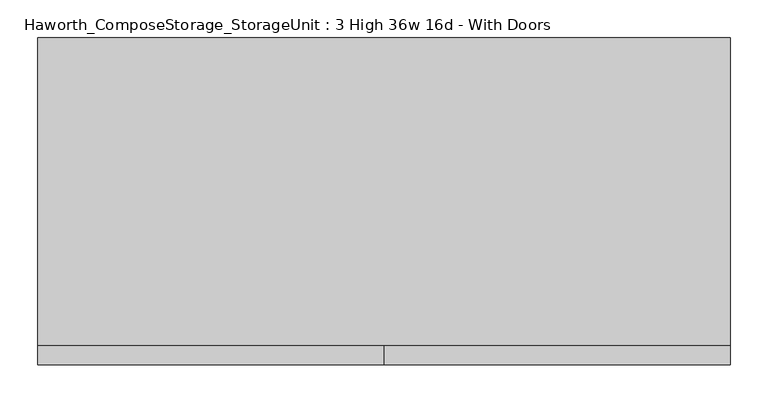
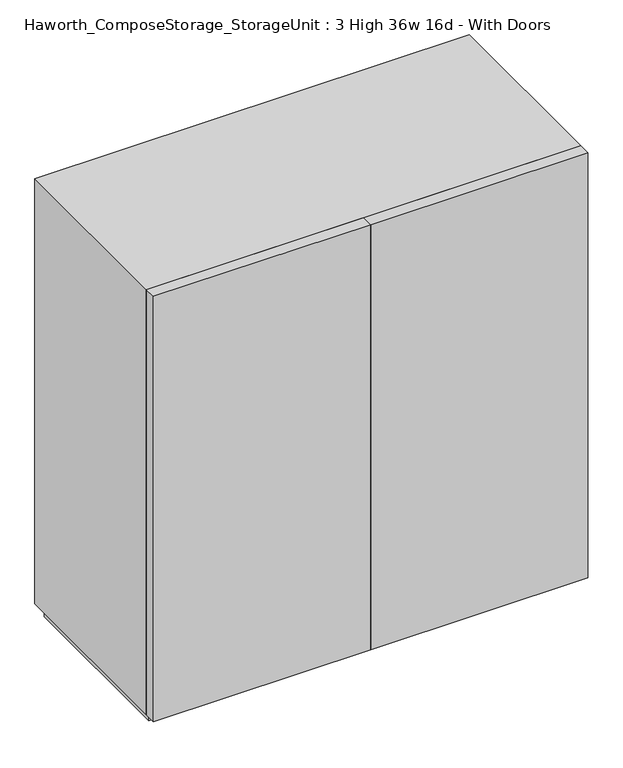
"""IFC4 building model written with IfcOpenShell, lengths in millimetres: furniture geometry, Haworth_ComposeStorage_StorageUnit : 3 High 36w 16d - With Doors."""

from ifc_helpers import new_model, si_unit, frame, origin, origin_with_axes, place, context, project, spatial, polyline, outline, extrude, source, transform, mapped, element, save


def haworth_composestorage_storageunit_3_high_36w_16d_with_doors_aa049dfd(model_context):
    return source(origin(), model_context, "Body", "SweptSolid", [
        extrude(outline(polyline([(438.1569453, 219.075), (438.1569453, -152.4), (-438.1291641, -152.4), (-438.1291641, 219.075), (438.1569453, 219.075)])), frame((0.0, 0.0, 652.9916667), z_axis=(0.0, 0.0, 1.0), x_axis=(1.0, 0.0, 0.0)), (0.0, 0.0, 1.0), 19.05),
        extrude(outline(polyline([(438.1569453, 219.075), (438.1569453, -152.4), (-438.1291641, -152.4), (-438.1291641, 219.075), (438.1569453, 219.075)])), frame((0.0, 0.0, 324.9083333), z_axis=(0.0, 0.0, 1.0), x_axis=(1.0, 0.0, 0.0)), (0.0, 0.0, 1.0), 19.05),
        extrude(outline(polyline([(0.0138906, -177.8), (0.0138906, -152.4), (457.2138906, -152.4), (457.2138906, -177.8), (0.0138906, -177.8)])), frame((0.0, 0.0, 25.4), z_axis=(0.0, 0.0, 1.0), x_axis=(1.0, 0.0, 0.0)), (0.0, 0.0, 1.0), 946.15),
        extrude(outline(polyline([(0.0138906, -177.8), (-457.1861094, -177.8), (-457.1861094, -152.4), (0.0138906, -152.4), (0.0138906, -177.8)])), frame((0.0, 0.0, 25.4), z_axis=(0.0, 0.0, 1.0), x_axis=(1.0, 0.0, 0.0)), (0.0, 0.0, 1.0), 946.15),
        extrude(outline(polyline([(25.4, -457.1861094), (25.4, 457.2138906), (971.55, 457.2138906), (971.55, -457.1861094), (25.4, -457.1861094)]), holes=[polyline([(44.45, -438.1361094), (952.5, -438.1361094), (952.5, 438.1569453), (44.45, 438.1569453), (44.45, -438.1361094)])]), frame((0.0, -152.4, 0.0), z_axis=(0.0, 1.0, 0.0), x_axis=(0.0, 0.0, 1.0)), (0.0, 0.0, 1.0), 406.4),
        extrude(outline(polyline([(-438.1291641, 219.075), (-438.1291641, 228.6), (438.1569453, 228.6), (438.1569453, 219.075), (-438.1291641, 219.075)])), frame((0.0, 0.0, 44.45), z_axis=(0.0, 0.0, 1.0), x_axis=(1.0, 0.0, 0.0)), (0.0, 0.0, 1.0), 908.05),
        extrude(outline(polyline([(444.5138906, -139.7), (-444.4861094, -139.7), (-444.4861094, 241.3), (444.5138906, 241.3), (444.5138906, -139.7)])), origin_with_axes(), (0.0, 0.0, 1.0), 25.4),
    ])


if __name__ == "__main__":
    model = new_model("IFC4")
    model_context = context("Model", 3, world=origin())
    ifc_project = project(units=[si_unit("LENGTHUNIT", "METRE", prefix="MILLI")], contexts=[model_context])
    site = spatial("IfcSite", under=ifc_project)
    building = spatial("IfcBuilding", under=site)
    placement = place(None, origin())
    haworth_composestorage_storageunit_3_high_36w_16d_with_doors_shape = haworth_composestorage_storageunit_3_high_36w_16d_with_doors_aa049dfd(model_context)
    element("IfcFurniture", 1, ObjectType="Haworth_ComposeStorage_StorageUnit : 3 High 36w 16d - With Doors", at=placement, inside=building, context=model_context, shape_type="MappedRepresentation", body=[
        mapped(haworth_composestorage_storageunit_3_high_36w_16d_with_doors_shape, transform((0.0, 0.0, 0.0), x_axis=(1.0, 0.0, 0.0), y_axis=(0.0, 1.0, 0.0), z_axis=(0.0, 0.0, 1.0))),
    ])
    save(model, "model.ifc")
